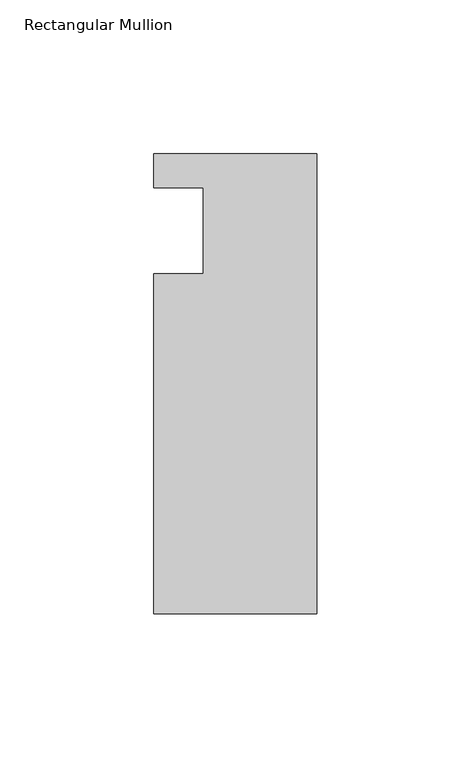
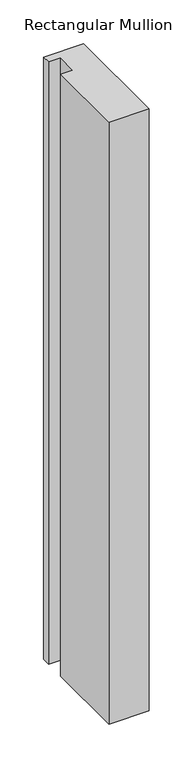
"""IFC4 building model written with IfcOpenShell, lengths in millimetres: member geometry, Rectangular Mullion."""

from ifc_helpers import new_model, si_unit, frame, origin, place, context, project, spatial, polyline, outline, extrude, source, transform, mapped, element, save


def rectangular_mullion_d7d4d1cf(model_context):
    return source(origin(), model_context, "Body", "SweptSolid", [
        extrude(outline(polyline([(-37.0, 13.9999453), (-53.0, 13.9999453), (-53.0, 24.9999453), (0.0, 24.9999453), (0.0, -124.5000547), (-53.0, -124.5000547), (-53.0, -14.0000547), (-37.0, -14.0000547), (-37.0, 13.9999453)])), frame((0.0, 0.0, -839.920503), z_axis=(0.0, 0.0, 1.0), x_axis=(1.0, 0.0, 0.0)), (0.0, 0.0, 1.0), 839.920503),
    ])


if __name__ == "__main__":
    model = new_model("IFC4")
    model_context = context("Model", 3, world=origin())
    ifc_project = project(units=[si_unit("LENGTHUNIT", "METRE", prefix="MILLI")], contexts=[model_context])
    site = spatial("IfcSite", under=ifc_project)
    building = spatial("IfcBuilding", under=site)
    placement = place(None, origin())
    rectangular_mullion_shape = rectangular_mullion_d7d4d1cf(model_context)
    element("IfcMember", 1, ObjectType="Rectangular Mullion", at=placement, inside=building, context=model_context, shape_type="MappedRepresentation", body=[
        mapped(rectangular_mullion_shape, transform((0.0, 0.0, 0.0), x_axis=(1.0, 0.0, 0.0), y_axis=(0.0, 1.0, 0.0), z_axis=(0.0, 0.0, 1.0))),
    ])
    save(model, "model.ifc")
